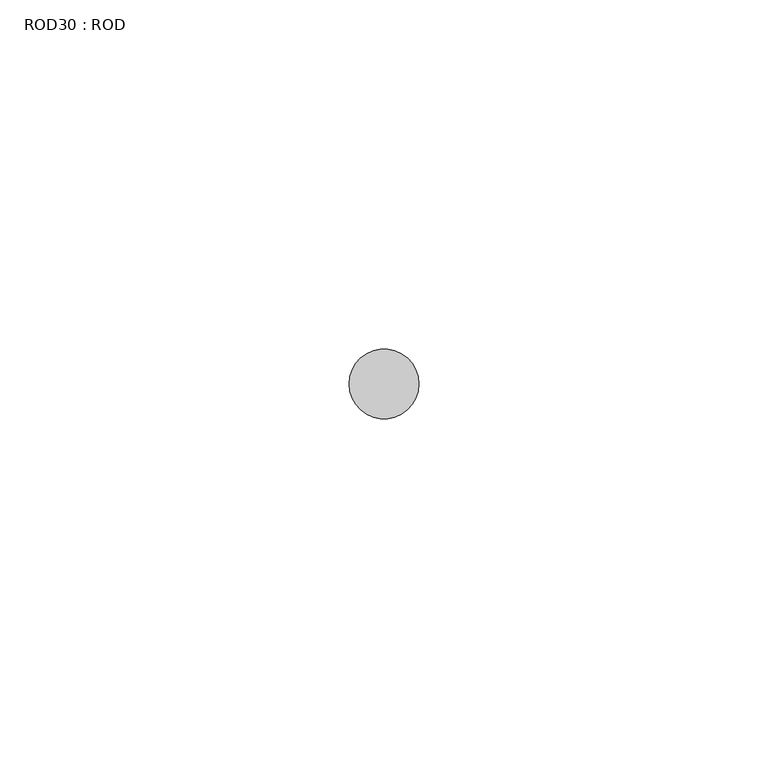
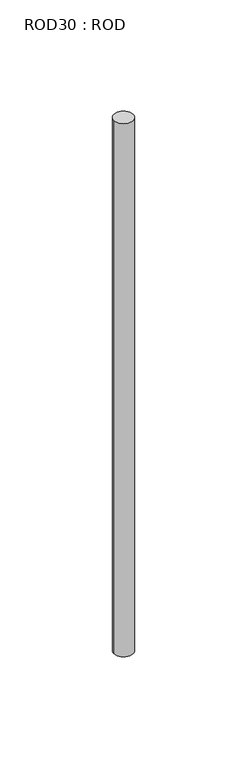
"""IFC4 building model written with IfcOpenShell, lengths in millimetres: proxy geometry, ROD30 : ROD."""

from ifc_helpers import new_model, si_unit, point, frame, frame_2d, origin, place, context, project, spatial, circle_curve, trimmed, segment, composite_curve, outline, extrude, source, transform, mapped, element, save


def rod30_rod_085c1d37(model_context):
    return source(origin(), model_context, "Body", "SweptSolid", [
        extrude(outline(composite_curve([segment(trimmed(circle_curve(frame_2d((-1747.2215616, -1114.6300853)), 5.0), [point((-1752.2215616, -1114.6300853))], [point((-1742.2215616, -1114.6300853))], False, "CARTESIAN"), True, "CONTINUOUS"), segment(trimmed(circle_curve(frame_2d((-1747.2215616, -1114.6300853)), 5.0), [point((-1742.2215616, -1114.6300853))], [point((-1752.2215616, -1114.6300853))], False, "CARTESIAN"), True, "CONTINUOUS")], self_intersect=False)), frame((0.0, 0.0, -208.6608845), z_axis=(0.0, 0.0, 1.0), x_axis=(1.0, 0.0, 0.0)), (0.0, 0.0, 1.0), 298.9028972),
    ])


if __name__ == "__main__":
    model = new_model("IFC4")
    model_context = context("Model", 3, world=origin())
    ifc_project = project(units=[si_unit("LENGTHUNIT", "METRE", prefix="MILLI")], contexts=[model_context])
    site = spatial("IfcSite", under=ifc_project)
    building = spatial("IfcBuilding", under=site)
    placement = place(None, origin())
    rod30_rod_shape = rod30_rod_085c1d37(model_context)
    element("IfcBuildingElementProxy", 1, Name="ROD30 : ROD", ObjectType="ROD30 : ROD", at=placement, inside=building, context=model_context, shape_type="MappedRepresentation", body=[
        mapped(rod30_rod_shape, transform((0.0, 0.0, 0.0), x_axis=(1.0, 0.0, 0.0), y_axis=(0.0, 1.0, 0.0), z_axis=(0.0, 0.0, 1.0))),
    ])
    save(model, "model.ifc")
